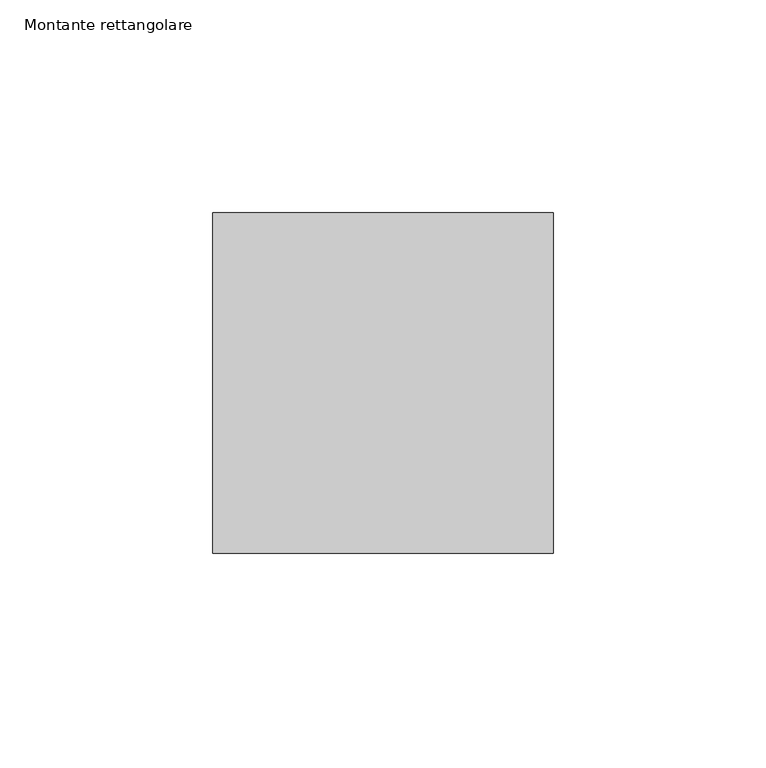
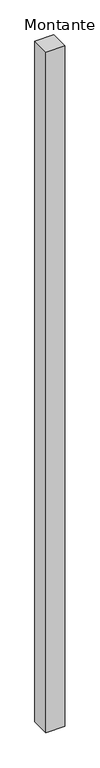
"""IFC4 building model written with IfcOpenShell, lengths in millimetres: member geometry, Montante rettangolare."""

from ifc_helpers import new_model, si_unit, frame, origin, place, context, project, spatial, polyline, outline, extrude, source, transform, mapped, element, save


def montante_rettangolare_5be9ebca(model_context):
    return source(origin(), model_context, "Body", "SweptSolid", [
        extrude(outline(polyline([(40.0, 40.0), (40.0, -40.0), (-40.0, -40.0), (-40.0, 40.0), (40.0, 40.0)])), frame((0.0, 0.0, -3047.5636415), z_axis=(0.0, 0.0, 1.0), x_axis=(1.0, 0.0, 0.0)), (0.0, 0.0, 1.0), 3047.5636415),
    ])


if __name__ == "__main__":
    model = new_model("IFC4")
    model_context = context("Model", 3, world=origin())
    ifc_project = project(units=[si_unit("LENGTHUNIT", "METRE", prefix="MILLI")], contexts=[model_context])
    site = spatial("IfcSite", under=ifc_project)
    building = spatial("IfcBuilding", under=site)
    placement = place(None, origin())
    montante_rettangolare_shape = montante_rettangolare_5be9ebca(model_context)
    element("IfcMember", 1, ObjectType="Montante rettangolare", at=placement, inside=building, context=model_context, shape_type="MappedRepresentation", body=[
        mapped(montante_rettangolare_shape, transform((0.0, 0.0, 0.0), x_axis=(1.0, 0.0, 0.0), y_axis=(0.0, 1.0, 0.0), z_axis=(0.0, 0.0, 1.0))),
    ])
    save(model, "model.ifc")
